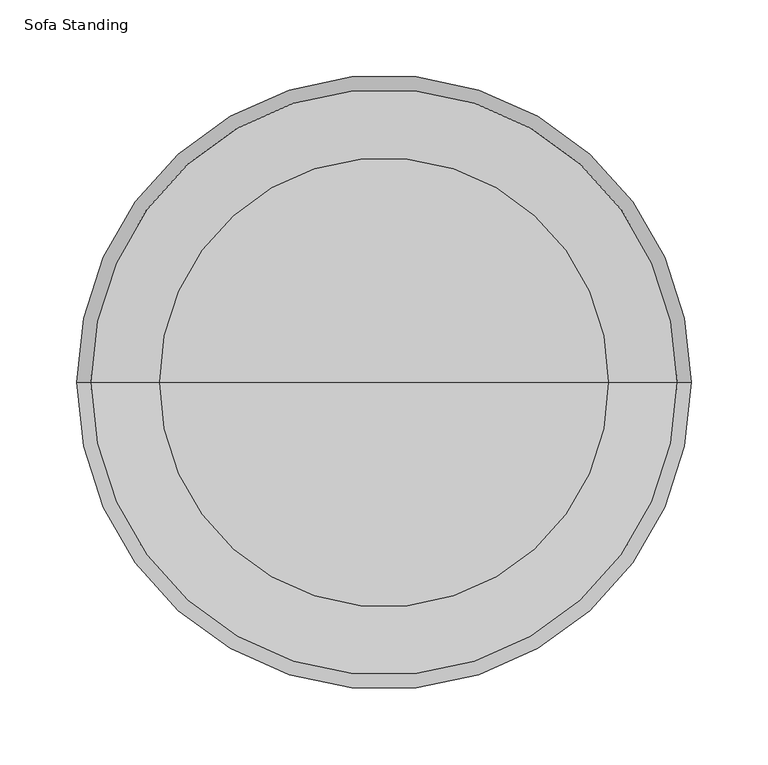
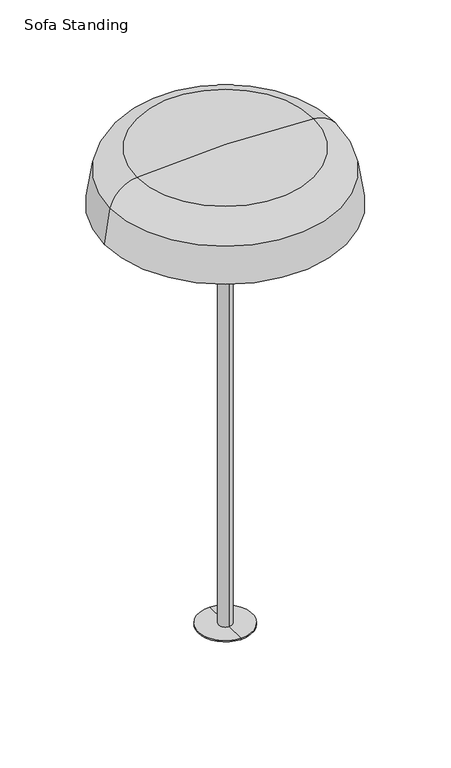
"""IFC4 building model written with IfcOpenShell, lengths in millimetres: light fixture geometry, Sofa Standing."""

import ifcopenshell
import ifcopenshell.guid

model = None  # the IFC model being written
_history = None  # IfcOwnerHistory: only IFC2X3 demands one
_inside = {}  # id of a spatial element -> (the spatial element, [elements in it])
_under = {}  # id of a project, library or spatial element -> (it, [spatial elements below it])
_declared = {}  # id of a project -> (the project, [libraries it declares])
_typed = {}  # id of a type object -> (the type object, [elements of that type])
_made_of = {}  # id of a material, layer set ... -> (it, [elements and type objects made of it])


def new_model(schema):
    """Start an empty IFC model of exactly this schema.

    Asked for "IFC4X3", IfcOpenShell would pick the latest addendum, in which some entities
    have other attributes; the version numbers below select the first issue.
    IFC2X3 requires an IfcOwnerHistory on every rooted entity: one is made here for all.
    """
    global model, _history
    if schema == "IFC4X3":
        model = ifcopenshell.file(schema_version=(4, 3, 0, 0))
    else:
        model = ifcopenshell.file(schema=schema)
    _inside.clear()
    _under.clear()
    _declared.clear()
    _typed.clear()
    _made_of.clear()
    _history = None
    if model.schema == "IFC2X3":
        org = make("IfcOrganization", Name="unknown")
        user = make(
            "IfcPersonAndOrganization",
            ThePerson=make("IfcPerson", FamilyName="unknown"),
            TheOrganization=org,
        )
        app = make(
            "IfcApplication",
            ApplicationDeveloper=org,
            Version="unknown",
            ApplicationFullName="unknown",
            ApplicationIdentifier="unknown",
        )
        _history = make(
            "IfcOwnerHistory",
            OwningUser=user,
            OwningApplication=app,
            ChangeAction="ADDED",
            CreationDate=0,
        )
    return model


def make(cls, **values):
    """One entity of the class cls with the attributes given. An attribute that is None is left unset."""
    return model.create_entity(
        cls, **{name: value for name, value in values.items() if value is not None}
    )


def rooted(cls, **values):
    """An entity with a GlobalId (a new one), such as an element, a storey or a relation."""
    return make(cls, GlobalId=ifcopenshell.guid.new(), OwnerHistory=_history, **values)


def si_unit(unit_type, name, prefix=None):
    """IfcSIUnit, for example si_unit("LENGTHUNIT", "METRE", prefix="MILLI")."""
    return make("IfcSIUnit", UnitType=unit_type, Prefix=prefix, Name=name)


def assignment(units):
    """IfcUnitAssignment: the units of a project."""
    return None if units is None else make("IfcUnitAssignment", Units=units)


def point(xyz):
    """IfcCartesianPoint."""
    return None if xyz is None else make("IfcCartesianPoint", Coordinates=xyz)


def direction(xyz):
    """IfcDirection."""
    return None if xyz is None else make("IfcDirection", DirectionRatios=xyz)


def frame(location, z_axis=None, x_axis=None):
    """IfcAxis2Placement3D, a coordinate frame: its origin and axes. An axis left out is left unset."""
    return make(
        "IfcAxis2Placement3D",
        Location=point(location),
        Axis=direction(z_axis),
        RefDirection=direction(x_axis),
    )


def origin():
    """The frame at (0, 0, 0) with its axes left unset."""
    return frame((0.0, 0.0, 0.0))


def place(relative_to, where):
    """IfcLocalPlacement: puts the frame where relative to a parent placement (None: the world)."""
    return make(
        "IfcLocalPlacement", PlacementRelTo=relative_to, RelativePlacement=where
    )


def context(
    kind, dimensions, precision=None, world=None, true_north=None, identifier=None
):
    """IfcGeometricRepresentationContext, for example the 3D "Model" context."""
    return make(
        "IfcGeometricRepresentationContext",
        ContextIdentifier=identifier,
        ContextType=kind,
        CoordinateSpaceDimension=dimensions,
        Precision=precision,
        WorldCoordinateSystem=world,
        TrueNorth=true_north,
    )


def project(units=None, contexts=None):
    """IfcProject with its units and contexts."""
    return rooted(
        "IfcProject",
        Name="project",
        RepresentationContexts=contexts,
        UnitsInContext=assignment(units),
    )


def spatial(cls, under=None, at=None, **own):
    """A site, building, storey or space (cls), placed at a placement, below another one or the project."""
    s = rooted(cls, ObjectPlacement=at, **own)
    if under is not None:
        _under.setdefault(under.id(), (under, []))[1].append(s)
    return s


def polyline(points):
    """IfcPolyline through the points."""
    return make("IfcPolyline", Points=[point(p) for p in points])


def circle_curve(where, radius):
    """IfcCircle in the frame where."""
    return make("IfcCircle", Position=where, Radius=radius)


def ellipse_curve(where, semi_axis1, semi_axis2):
    """IfcEllipse in the frame where."""
    return make(
        "IfcEllipse", Position=where, SemiAxis1=semi_axis1, SemiAxis2=semi_axis2
    )


def trimmed(basis, trim1, trim2, sense, master):
    """IfcTrimmedCurve: the piece of a basis curve between two trims."""
    return make(
        "IfcTrimmedCurve",
        BasisCurve=basis,
        Trim1=trim1,
        Trim2=trim2,
        SenseAgreement=sense,
        MasterRepresentation=master,
    )


def shape(context_of_items, identifier, shape_type, items):
    """IfcShapeRepresentation: the items that make up one representation, for example the "Body"."""
    return make(
        "IfcShapeRepresentation",
        ContextOfItems=context_of_items,
        RepresentationIdentifier=identifier,
        RepresentationType=shape_type,
        Items=items,
    )


def source(mapping_origin, context_of_items, identifier, shape_type, items):
    """IfcRepresentationMap: a shape defined once, which mapped items show again and again."""
    return make(
        "IfcRepresentationMap",
        MappingOrigin=mapping_origin,
        MappedRepresentation=shape(context_of_items, identifier, shape_type, items),
    )


def transform(
    local_origin,
    x_axis=None,
    y_axis=None,
    z_axis=None,
    scale=None,
    scale2=None,
    scale3=None,
    uniform=True,
):
    """IfcCartesianTransformationOperator3D, or its non-uniform kind. x_axis, y_axis, z_axis: its Axis1, 2, 3."""
    if uniform:
        return make(
            "IfcCartesianTransformationOperator3D",
            Axis1=direction(x_axis),
            Axis2=direction(y_axis),
            LocalOrigin=point(local_origin),
            Scale=scale,
            Axis3=direction(z_axis),
        )
    return make(
        "IfcCartesianTransformationOperator3DnonUniform",
        Axis1=direction(x_axis),
        Axis2=direction(y_axis),
        LocalOrigin=point(local_origin),
        Scale=scale,
        Axis3=direction(z_axis),
        Scale2=scale2,
        Scale3=scale3,
    )


def mapped(mapping_source, mapping_target):
    """IfcMappedItem: shows the shape of a source again, moved by a transform."""
    return make(
        "IfcMappedItem", MappingSource=mapping_source, MappingTarget=mapping_target
    )


def made_of(thing, what):
    """Note that an element or type object is made of a material, layer set ...; save() writes the relation."""
    if what is not None:
        _made_of.setdefault(what.id(), (what, []))[1].append(thing)
    return thing


def element(
    cls,
    number,
    at=None,
    inside=None,
    cuts=None,
    type_object=None,
    material=None,
    context=None,
    identifier="Body",
    shape_type=None,
    held_by="IfcProductDefinitionShape",
    body=None,
    shapes=None,
    **own,
):
    """One element of the class cls, such as IfcWall. Its Tag is "e" and its number.

    at: its placement. inside: the storey or other place that contains it. cuts: it is an
    opening in that element (IfcRelVoidsElement). A single representation is given by context,
    identifier, shape_type and body (its items); several are given by shapes. held_by: the class
    of the entity that holds the representations. save() writes the other relations.
    """
    e = rooted(cls, Tag="e%d" % number, ObjectPlacement=at, **own)
    if body is not None:
        shapes = [shape(context, identifier, shape_type, body)]
    if shapes is not None:
        e.Representation = make(held_by, Representations=shapes)
    if inside is not None:
        _inside.setdefault(inside.id(), (inside, []))[1].append(e)
    if cuts is not None:
        rooted(
            "IfcRelVoidsElement", RelatingBuildingElement=cuts, RelatedOpeningElement=e
        )
    if type_object is not None:
        _typed.setdefault(type_object.id(), (type_object, []))[1].append(e)
    return made_of(e, material)


def aggregate(whole, parts):
    """IfcRelAggregates: a whole, such as a stair, and the parts it consists of."""
    return rooted("IfcRelAggregates", RelatingObject=whole, RelatedObjects=parts)


def save(model, path):
    """Write the relations noted so far, then the file.

    IfcRelAggregates (storeys below a building ...), IfcRelContainedInSpatialStructure (elements
    in a storey), IfcRelDefinesByType, IfcRelAssociatesMaterial and IfcRelDeclares: one each for
    every whole, place, type object, material and project.
    """
    for whole, parts in _under.values():
        aggregate(whole, parts)
    for where, things in _inside.values():
        rooted(
            "IfcRelContainedInSpatialStructure",
            RelatedElements=things,
            RelatingStructure=where,
        )
    for kind, things in _typed.values():
        rooted("IfcRelDefinesByType", RelatedObjects=things, RelatingType=kind)
    for what, things in _made_of.values():
        rooted("IfcRelAssociatesMaterial", RelatedObjects=things, RelatingMaterial=what)
    for by, libraries in _declared.values():
        rooted("IfcRelDeclares", RelatingContext=by, RelatedDefinitions=libraries)
    model.write(path)


def plane_surface(at):
    """IfcPlane: the flat surface through the origin of the frame at, square to its z axis."""
    return make("IfcPlane", Position=at)


def cylinder_surface(at, radius):
    """IfcCylindricalSurface: all points at the distance radius from the z axis of the frame at."""
    return make("IfcCylindricalSurface", Position=at, Radius=radius)


def revolved_surface(curve, axis_point, axis_direction):
    """IfcSurfaceOfRevolution: the curve turned about the line through axis_point along axis_direction."""
    return make(
        "IfcSurfaceOfRevolution",
        SweptCurve=make("IfcArbitraryOpenProfileDef", ProfileType="CURVE", Curve=curve),
        AxisPosition=make("IfcAxis1Placement", Location=point(axis_point), Axis=direction(axis_direction)),
    )


def advanced_brep(points, edges, surfaces, faces):
    """IfcAdvancedBrep: a solid bounded by faces that lie on surfaces and meet in shared edges.

    An edge is (start, end): straight between two places in points (the first is 0);
    or (start, end, curve); or (start, end, curve, False) where it runs against its curve.
    A face is (place in surfaces, loops), or (place, loops, False) where it looks against
    its surface's normal. A loop lists edges by number (the first is 1), with a minus sign
    where the edge is run from its end to its start. The first loop is the outer one.
    """
    corners = [point(p) for p in points]
    vertices = [make("IfcVertexPoint", VertexGeometry=c) for c in corners]
    made = []
    for start, end, *more in edges:
        made.append(
            make(
                "IfcEdgeCurve",
                EdgeStart=vertices[start],
                EdgeEnd=vertices[end],
                EdgeGeometry=more[0] if more else make("IfcPolyline", Points=[corners[start], corners[end]]),
                SameSense=more[1] if len(more) > 1 else True,
            )
        )
    hull = []
    for where, loops, *sense in faces:
        bounds = []
        for j, loop in enumerate(loops):
            ring = [make("IfcOrientedEdge", EdgeElement=made[abs(k) - 1], Orientation=k > 0) for k in loop]
            bounds.append(
                make(
                    "IfcFaceOuterBound" if j == 0 else "IfcFaceBound",
                    Bound=make("IfcEdgeLoop", EdgeList=ring),
                    Orientation=True,
                )
            )
        hull.append(make("IfcAdvancedFace", Bounds=bounds, FaceSurface=surfaces[where], SameSense=sense[0] if sense else True))
    return make("IfcAdvancedBrep", Outer=make("IfcClosedShell", CfsFaces=hull))


def sofa_standing_540525ab(model_context):
    return source(origin(), model_context, "Body", "AdvancedBrep", [
        advanced_brep(
        [(199.9486931, 0.0, 946.0220524), (-200.1013069, 0.0, 946.0220524), (-191.022028, 0.0, 1005.7275311), (190.8694141, 0.0, 1005.7275311), (197.3636976, 0.0, 946.0220524), (-197.5163114, 0.0, 946.0220524), (188.3624242, 0.0, 1005.1194283), (-188.515038, 0.0, 1005.1194283), (145.8324053, 0.0, 1041.7779663), (-145.9850191, 0.0, 1041.7779663), (-0.0763069, 0.0, 1048.344392), (146.0641267, 0.0, 1044.3472255), (-146.2167405, 0.0, 1044.3472255), (-0.0763069, 0.0, 1050.9240795)],
        [
            (0, 1, circle_curve(frame((-0.0763069, 0.0, 946.0220524), z_axis=(0.0, 0.0, 1.0), x_axis=(-1.0, 0.0, 0.0)), 200.025)),
            (1, 2, circle_curve(frame((146.4885159, 0.0, 923.8599834), z_axis=(0.0, 1.0, 0.0), x_axis=(1.0, 0.0, 0.0)), 347.2976571)),
            (2, 3, circle_curve(frame((-0.0763069, 0.0, 1005.7275311), z_axis=(0.0, 0.0, -1.0), x_axis=(-1.0, 0.0, 0.0)), 190.945721)),
            (3, 0, circle_curve(frame((-146.6411298, 0.0, 923.8599834), z_axis=(0.0, 1.0, 0.0), x_axis=(-1.0, 0.0, 0.0)), 347.2976571)),
            (1, 0, circle_curve(frame((-0.0763069, 0.0, 946.0220524), z_axis=(0.0, 0.0, 1.0), x_axis=(-1.0, 0.0, 0.0)), 200.025)),
            (3, 2, circle_curve(frame((-0.0763069, 0.0, 1005.7275311), z_axis=(0.0, 0.0, -1.0), x_axis=(-1.0, 0.0, 0.0)), 190.945721)),
            (4, 5, circle_curve(frame((-0.0763069, 0.0, 946.0220524), z_axis=(0.0, 0.0, 1.0), x_axis=(-1.0, 0.0, 0.0)), 197.4400045)),
            (5, 1),
            (0, 4),
            (5, 4, circle_curve(frame((-0.0763069, 0.0, 946.0220524), z_axis=(0.0, 0.0, 1.0), x_axis=(-1.0, 0.0, 0.0)), 197.4400045)),
            (6, 7, circle_curve(frame((-0.0763069, 0.0, 1005.1194283), z_axis=(0.0, 0.0, 1.0), x_axis=(-1.0, 0.0, 0.0)), 188.4387311)),
            (7, 5, circle_curve(frame((146.4885159, 0.0, 923.8599834), z_axis=(0.0, -1.0, 0.0), x_axis=(1.0, 0.0, 0.0)), 344.7179696)),
            (4, 6, circle_curve(frame((-146.6411298, 0.0, 923.8599834), z_axis=(0.0, -1.0, 0.0), x_axis=(-1.0, 0.0, 0.0)), 344.7179696)),
            (7, 6, circle_curve(frame((-0.0763069, 0.0, 1005.1194283), z_axis=(0.0, 0.0, 1.0), x_axis=(-1.0, 0.0, 0.0)), 188.4387311)),
            (8, 9, circle_curve(frame((-0.0763069, 0.0, 1041.7779663), z_axis=(0.0, 0.0, 1.0), x_axis=(-1.0, 0.0, 0.0)), 145.9087122)),
            (9, 7, circle_curve(frame((-141.6536108, 0.0, 993.752583), z_axis=(0.0, -1.0, 0.0), x_axis=(1.0, 0.0, 0.0)), 48.2203125)),
            (6, 8, circle_curve(frame((141.5009969, 0.0, 993.752583), z_axis=(0.0, -1.0, 0.0), x_axis=(-1.0, 0.0, 0.0)), 48.2203125)),
            (9, 8, circle_curve(frame((-0.0763069, 0.0, 1041.7779663), z_axis=(0.0, 0.0, 1.0), x_axis=(-1.0, 0.0, 0.0)), 145.9087122)),
            (10, 9, circle_curve(frame((-0.0763069, 0.0, -576.0149711), z_axis=(0.0, -1.0, 0.0), x_axis=(1.0, 0.0, 0.0)), 1624.3593631)),
            (8, 10, circle_curve(frame((-0.0763069, 0.0, -576.0149711), z_axis=(0.0, -1.0, 0.0), x_axis=(-1.0, 0.0, 0.0)), 1624.3593631)),
            (11, 12, circle_curve(frame((-0.0763069, 0.0, 1044.3472255), z_axis=(0.0, 0.0, 1.0), x_axis=(-1.0, 0.0, 0.0)), 146.1404336)),
            (12, 13, circle_curve(frame((-0.0763069, 0.0, -576.0149711), z_axis=(0.0, 1.0, 0.0), x_axis=(1.0, 0.0, 0.0)), 1626.9390506)),
            (13, 11, circle_curve(frame((-0.0763069, 0.0, -576.0149711), z_axis=(0.0, 1.0, 0.0), x_axis=(-1.0, 0.0, 0.0)), 1626.9390506)),
            (12, 11, circle_curve(frame((-0.0763069, 0.0, 1044.3472255), z_axis=(0.0, 0.0, 1.0), x_axis=(-1.0, 0.0, 0.0)), 146.1404336)),
            (2, 12, circle_curve(frame((-141.6536108, 0.0, 993.752583), z_axis=(0.0, 1.0, 0.0), x_axis=(1.0, 0.0, 0.0)), 50.8)),
            (11, 3, circle_curve(frame((141.5009969, 0.0, 993.752583), z_axis=(0.0, 1.0, 0.0), x_axis=(-1.0, 0.0, 0.0)), 50.8)),
        ],
        [
            revolved_surface(trimmed(ellipse_curve(frame((146.4885159, 0.0, 923.8599834), z_axis=(0.0, -1.0, 0.0), x_axis=(1.0, 0.0, 0.0)), 347.2976571, 347.2976571), [point((-191.022028, 0.0, 1005.7275311))], [point((-200.1013069, 0.0, 946.0220524))], True, "CARTESIAN"), (-0.0763069, 0.0, 1050.9240795), (0.0, 0.0, -1.0)),
            plane_surface(frame((-0.0763069, 0.0, 946.0220524), z_axis=(0.0, 0.0, -1.0), x_axis=(-1.0, 0.0, 0.0))),
            revolved_surface(trimmed(ellipse_curve(frame((146.4885159, 0.0, 923.8599834), z_axis=(0.0, 1.0, 0.0), x_axis=(1.0, 0.0, 0.0)), 344.7179696, 344.7179696), [point((-197.5163114, 0.0, 946.0220524))], [point((-188.515038, 0.0, 1005.1194283))], True, "CARTESIAN"), (-0.0763069, 0.0, 1050.9240795), (0.0, 0.0, -1.0)),
            revolved_surface(trimmed(ellipse_curve(frame((-141.6536108, 0.0, 993.752583), z_axis=(0.0, 1.0, 0.0), x_axis=(1.0, 0.0, 0.0)), 48.2203125, 48.2203125), [point((-188.515038, 0.0, 1005.1194283))], [point((-145.9850191, 0.0, 1041.7779663))], True, "CARTESIAN"), (-0.0763069, 0.0, 1050.9240795), (0.0, 0.0, -1.0)),
            revolved_surface(trimmed(ellipse_curve(frame((-0.0763069, 0.0, -576.0149711), z_axis=(0.0, 1.0, 0.0), x_axis=(1.0, 0.0, 0.0)), 1624.3593631, 1624.3593631), [point((-145.9850191, 0.0, 1041.7779663))], [point((-0.0763069, 0.0, 1048.344392))], True, "CARTESIAN"), (-0.0763069, 0.0, 1050.9240795), (0.0, 0.0, -1.0)),
            revolved_surface(trimmed(ellipse_curve(frame((-0.0763069, 0.0, -576.0149711), z_axis=(0.0, -1.0, 0.0), x_axis=(1.0, 0.0, 0.0)), 1626.9390506, 1626.9390506), [point((-0.0763069, 0.0, 1050.9240795))], [point((-146.2167405, 0.0, 1044.3472255))], True, "CARTESIAN"), (-0.0763069, 0.0, 1050.9240795), (0.0, 0.0, -1.0)),
            revolved_surface(trimmed(ellipse_curve(frame((-141.6536108, 0.0, 993.752583), z_axis=(0.0, -1.0, 0.0), x_axis=(1.0, 0.0, 0.0)), 50.8, 50.8), [point((-146.2167405, 0.0, 1044.3472255))], [point((-191.022028, 0.0, 1005.7275311))], True, "CARTESIAN"), (-0.0763069, 0.0, 1050.9240795), (0.0, 0.0, -1.0)),
        ],
        [
            (0, [[1, 2, 3, 4]]),
            (0, [[5, -4, 6, -2]]),
            (1, [[7, 8, -1, 9]]),
            (1, [[10, -9, -5, -8]]),
            (2, [[11, 12, -7, 13]]),
            (2, [[14, -13, -10, -12]]),
            (3, [[15, 16, -11, 17]]),
            (3, [[18, -17, -14, -16]]),
            (4, [[19, -15, 20]]),
            (4, [[-20, -18, -19]]),
            (5, [[21, 22, 23]]),
            (5, [[24, -23, -22]]),
            (6, [[-3, 25, -21, 26]]),
            (6, [[-6, -26, -24, -25]]),
        ],
    ),
        advanced_brep(
        [(-0.0763069, -196.9875458, 952.1490269), (-0.0763069, 196.9875458, 952.1490269), (-0.0763069, 0.0, 946.0220524), (-0.0763069, -196.7671941, 954.7199868), (-0.0763069, 196.7671941, 954.7199868), (-0.0763069, 0.0, 948.6017399)],
        [
            (0, 1, circle_curve(frame((-0.0763069, 0.0, 952.1490269), z_axis=(0.0, 0.0, -1.0), x_axis=(0.0, 1.0, 0.0)), 196.9875458)),
            (1, 2, circle_curve(frame((-0.0763069, 0.1915666, 4109.5867503), z_axis=(-1.0, 0.0, 0.0), x_axis=(0.0, -1.0, 0.0)), 3163.5647037)),
            (2, 0, circle_curve(frame((-0.0763069, -0.1915666, 4109.5867503), z_axis=(-1.0, 0.0, 0.0), x_axis=(0.0, 1.0, 0.0)), 3163.5647037)),
            (1, 0, circle_curve(frame((-0.0763069, 0.0, 952.1490269), z_axis=(0.0, 0.0, -1.0), x_axis=(0.0, 1.0, 0.0)), 196.9875458)),
            (3, 4, circle_curve(frame((-0.0763069, 0.0, 954.7199868), z_axis=(0.0, 0.0, -1.0), x_axis=(0.0, 1.0, 0.0)), 196.7671941)),
            (4, 1),
            (0, 3),
            (4, 3, circle_curve(frame((-0.0763069, 0.0, 954.7199868), z_axis=(0.0, 0.0, -1.0), x_axis=(0.0, 1.0, 0.0)), 196.7671941)),
            (5, 4, circle_curve(frame((-0.0763069, 0.1915666, 4109.5867503), z_axis=(1.0, 0.0, 0.0), x_axis=(0.0, -1.0, 0.0)), 3160.9850162)),
            (3, 5, circle_curve(frame((-0.0763069, -0.1915666, 4109.5867503), z_axis=(1.0, 0.0, 0.0), x_axis=(0.0, 1.0, 0.0)), 3160.9850162)),
        ],
        [
            revolved_surface(trimmed(ellipse_curve(frame((-0.0763069, 0.1915666, 4109.5867503), z_axis=(1.0, 0.0, 0.0), x_axis=(0.0, -1.0, 0.0)), 3163.5647037, 3163.5647037), [point((-0.0763069, 0.0, 946.0220524))], [point((-0.0763069, 196.9875458, 952.1490269))], True, "CARTESIAN"), (-0.0763069, 0.0, 948.6017399), (0.0, 0.0, 1.0)),
            revolved_surface(polyline([(-0.0763069, 196.9875458, 952.1490269), (-0.0763069, 196.7671941, 954.7199868)]), (-0.0763069, 0.0, 948.6017399), (0.0, 0.0, 1.0)),
            revolved_surface(trimmed(ellipse_curve(frame((-0.0763069, 0.1915666, 4109.5867503), z_axis=(-1.0, 0.0, 0.0), x_axis=(0.0, -1.0, 0.0)), 3160.9850162, 3160.9850162), [point((-0.0763069, 196.7671941, 954.7199868))], [point((-0.0763069, 0.0, 948.6017399))], True, "CARTESIAN"), (-0.0763069, 0.0, 948.6017399), (0.0, 0.0, 1.0)),
        ],
        [
            (0, [[1, 2, 3]]),
            (0, [[4, -3, -2]]),
            (1, [[5, 6, -1, 7]]),
            (1, [[8, -7, -4, -6]]),
            (2, [[9, -5, 10]]),
            (2, [[-10, -8, -9]]),
        ],
    ),
        advanced_brep(
        [(0.0, -44.958, 214.7570019), (0.0, 44.958, 214.7570019), (0.0, 44.958, 212.725), (0.0, -44.958, 212.725), (0.0, -10.922, 941.7040384), (0.0, 10.922, 941.7040384), (0.0, 10.922, 214.7570019), (0.0, -10.922, 214.7570019), (0.0, -26.0350001, 943.2883932), (0.0, 26.0350002, 943.2883932), (0.0, 12.7000006, 941.7040384), (0.0, -12.7000006, 941.7040384), (0.0, -26.0350001, 946.0220524), (0.0, 26.0350002, 946.0220524), (0.0, 0.0, 946.0220524), (0.0, 0.0, 212.725)],
        [
            (0, 1, circle_curve(frame((0.0, 0.0, 214.7570019), z_axis=(0.0, 0.0, -1.0), x_axis=(0.0, 1.0, 0.0)), 44.958)),
            (1, 2),
            (2, 3, circle_curve(frame((0.0, 0.0, 212.725), z_axis=(0.0, 0.0, 1.0), x_axis=(0.0, 1.0, 0.0)), 44.958)),
            (3, 0),
            (1, 0, circle_curve(frame((0.0, 0.0, 214.7570019), z_axis=(0.0, 0.0, -1.0), x_axis=(0.0, 1.0, 0.0)), 44.958)),
            (3, 2, circle_curve(frame((0.0, 0.0, 212.725), z_axis=(0.0, 0.0, 1.0), x_axis=(0.0, 1.0, 0.0)), 44.958)),
            (4, 5, circle_curve(frame((0.0, 0.0, 941.7040384), z_axis=(0.0, 0.0, -1.0), x_axis=(0.0, 1.0, 0.0)), 10.922)),
            (5, 6),
            (6, 7, circle_curve(frame((0.0, 0.0, 214.7570019), z_axis=(0.0, 0.0, 1.0), x_axis=(0.0, 1.0, 0.0)), 10.922)),
            (7, 4),
            (5, 4, circle_curve(frame((0.0, 0.0, 941.7040384), z_axis=(0.0, 0.0, -1.0), x_axis=(0.0, 1.0, 0.0)), 10.922)),
            (7, 6, circle_curve(frame((0.0, 0.0, 214.7570019), z_axis=(0.0, 0.0, 1.0), x_axis=(0.0, 1.0, 0.0)), 10.922)),
            (8, 9, circle_curve(frame((0.0, 0.0, 943.2883932), z_axis=(0.0, 0.0, -1.0), x_axis=(0.0, 1.0, 0.0)), 26.0350002)),
            (9, 10),
            (10, 11, circle_curve(frame((0.0, 0.0, 941.7040384), z_axis=(0.0, 0.0, 1.0), x_axis=(0.0, 1.0, 0.0)), 12.7000006)),
            (11, 8),
            (9, 8, circle_curve(frame((0.0, 0.0, 943.2883932), z_axis=(0.0, 0.0, -1.0), x_axis=(0.0, 1.0, 0.0)), 26.0350002)),
            (11, 10, circle_curve(frame((0.0, 0.0, 941.7040384), z_axis=(0.0, 0.0, 1.0), x_axis=(0.0, 1.0, 0.0)), 12.7000006)),
            (12, 13, circle_curve(frame((0.0, 0.0, 946.0220524), z_axis=(0.0, 0.0, -1.0), x_axis=(0.0, 1.0, 0.0)), 26.0350002)),
            (13, 9),
            (8, 12),
            (13, 12, circle_curve(frame((0.0, 0.0, 946.0220524), z_axis=(0.0, 0.0, -1.0), x_axis=(0.0, 1.0, 0.0)), 26.0350002)),
            (14, 13),
            (12, 14),
            (2, 15),
            (15, 3),
            (10, 5),
            (4, 11),
            (6, 1),
            (0, 7),
        ],
        [
            cylinder_surface(frame((0.0, 0.0, 3.1750001), z_axis=(0.0, 0.0, 1.0), x_axis=(0.0, 1.0, 0.0)), 44.958),
            cylinder_surface(frame((0.0, 0.0, 3.1750001), z_axis=(0.0, 0.0, 1.0), x_axis=(0.0, 1.0, 0.0)), 10.922),
            revolved_surface(polyline([(0.0, 12.7000006, 941.7040384), (0.0, 26.0350002, 943.2883932)]), (0.0, 0.0, 3.1750001), (0.0, 0.0, 1.0)),
            cylinder_surface(frame((0.0, 0.0, 3.1750001), z_axis=(0.0, 0.0, 1.0), x_axis=(0.0, 1.0, 0.0)), 26.0350002),
            plane_surface(frame((0.0, 0.0, 946.0220524), z_axis=(0.0, 0.0, 1.0), x_axis=(0.0, 1.0, 0.0))),
            plane_surface(frame((0.0, 0.0, 212.725), z_axis=(0.0, 0.0, -1.0), x_axis=(0.0, 1.0, 0.0))),
            plane_surface(frame((0.0, 0.0, 941.7040384), z_axis=(0.0, 0.0, -1.0), x_axis=(0.0, 1.0, 0.0))),
            plane_surface(frame((0.0, 0.0, 214.7570019), z_axis=(0.0, 0.0, 1.0), x_axis=(0.0, 1.0, 0.0))),
        ],
        [
            (0, [[1, 2, 3, 4]]),
            (0, [[5, -4, 6, -2]]),
            (1, [[7, 8, 9, 10]]),
            (1, [[11, -10, 12, -8]]),
            (2, [[13, 14, 15, 16]]),
            (2, [[17, -16, 18, -14]]),
            (3, [[19, 20, -13, 21]]),
            (3, [[22, -21, -17, -20]]),
            (4, [[23, -19, 24]]),
            (4, [[-24, -22, -23]]),
            (5, [[-3, 25, 26]]),
            (5, [[-6, -26, -25]]),
            (6, [[-15, 27, -7, 28]]),
            (6, [[-18, -28, -11, -27]]),
            (7, [[-9, 29, -1, 30]]),
            (7, [[-12, -30, -5, -29]]),
        ],
    ),
    ])


if __name__ == "__main__":
    model = new_model("IFC4")
    model_context = context("Model", 3, world=origin())
    ifc_project = project(units=[si_unit("LENGTHUNIT", "METRE", prefix="MILLI")], contexts=[model_context])
    site = spatial("IfcSite", under=ifc_project)
    building = spatial("IfcBuilding", under=site)
    placement = place(None, origin())
    sofa_standing_shape = sofa_standing_540525ab(model_context)
    element("IfcLightFixture", 1, ObjectType="Sofa Standing", at=placement, inside=building, context=model_context, shape_type="MappedRepresentation", body=[
        mapped(sofa_standing_shape, transform((0.0, 0.0, 0.0), x_axis=(1.0, 0.0, 0.0), y_axis=(0.0, 1.0, 0.0), z_axis=(0.0, 0.0, 1.0))),
    ])
    save(model, "model.ifc")
